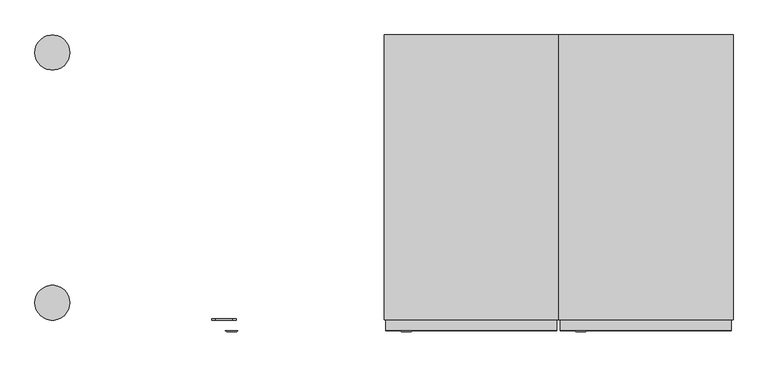
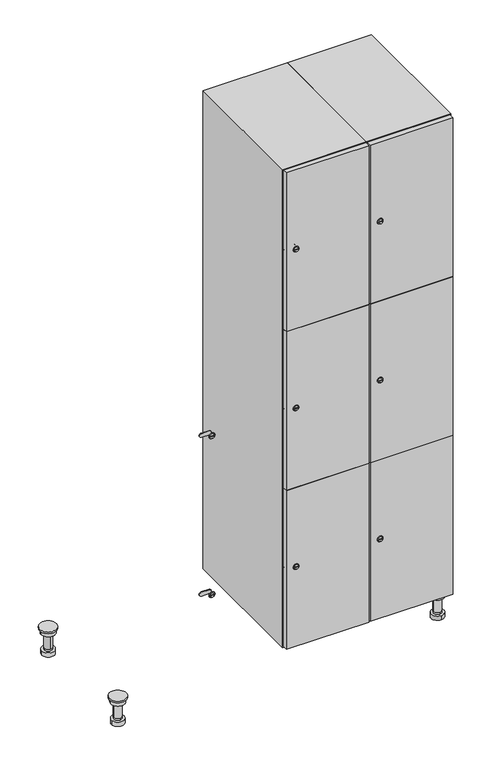
"""IFC4 building model written with IfcOpenShell, lengths in millimetres: furniture geometry."""

from ifc_helpers import new_model, si_unit, point, frame, frame_2d, origin, place, context, project, spatial, polyline, circle_curve, trimmed, segment, composite_curve, outline, extrude, faceted_brep, source, transform, mapped, element, save
from ifc_brep_helpers import plane_surface, cylinder_surface, revolved_surface, advanced_brep


def furniture_6eb8ae3f(model_context):
    return source(origin(), model_context, "Body", "SolidModel", [
        advanced_brep(
        [(970.0, -201.0, 22.0), (970.0, -201.5, 16.0), (970.0, -228.5, 16.0), (970.0, -229.0, 22.0), (956.0, -215.0, 22.0), (984.0, -215.0, 22.0), (970.0, -192.5, 16.0), (970.0, -237.5, 16.0), (970.0, -192.5, 0.0), (970.0, -237.5, 0.0), (984.0, -215.0, 78.0), (956.0, -215.0, 78.0), (995.0, -215.0, 78.0), (945.0, -215.0, 78.0), (1000.0, -215.0, 94.0), (940.0, -215.0, 94.0), (945.0, -215.0, 94.0), (995.0, -215.0, 94.0), (1000.0, -215.0, 100.0), (940.0, -215.0, 100.0)],
        [
            (0, 1),
            (1, 2, circle_curve(frame((970.0, -215.0, 16.0), z_axis=(0.0, 0.0, 1.0), x_axis=(0.0, -1.0, 0.0)), 13.5)),
            (2, 3),
            (3, 4, circle_curve(frame((970.0, -215.0, 22.0), z_axis=(0.0, 0.0, -1.0), x_axis=(0.0, -1.0, 0.0)), 14.0)),
            (4, 0, circle_curve(frame((970.0, -215.0, 22.0), z_axis=(0.0, 0.0, -1.0), x_axis=(0.0, -1.0, 0.0)), 14.0)),
            (0, 5, circle_curve(frame((970.0, -215.0, 22.0), z_axis=(0.0, 0.0, -1.0), x_axis=(0.0, 1.0, 0.0)), 14.0)),
            (5, 3, circle_curve(frame((970.0, -215.0, 22.0), z_axis=(0.0, 0.0, -1.0), x_axis=(0.0, 1.0, 0.0)), 14.0)),
            (2, 1, circle_curve(frame((970.0, -215.0, 16.0), z_axis=(0.0, 0.0, 1.0), x_axis=(0.0, 1.0, 0.0)), 13.5)),
            (6, 7, circle_curve(frame((970.0, -215.0, 16.0), z_axis=(0.0, 0.0, 1.0), x_axis=(0.0, -1.0, 0.0)), 22.5)),
            (7, 6, circle_curve(frame((970.0, -215.0, 16.0), z_axis=(0.0, 0.0, 1.0), x_axis=(0.0, -1.0, 0.0)), 22.5)),
            (8, 9, circle_curve(frame((970.0, -215.0, 0.0), z_axis=(0.0, 0.0, -1.0), x_axis=(0.0, -1.0, 0.0)), 22.5)),
            (9, 8, circle_curve(frame((970.0, -215.0, 0.0), z_axis=(0.0, 0.0, -1.0), x_axis=(0.0, -1.0, 0.0)), 22.5)),
            (6, 8),
            (9, 7),
            (5, 10),
            (10, 11, circle_curve(frame((970.0, -215.0, 78.0), z_axis=(0.0, 0.0, -1.0), x_axis=(-1.0, 0.0, 0.0)), 14.0)),
            (11, 4),
            (11, 10, circle_curve(frame((970.0, -215.0, 78.0), z_axis=(0.0, 0.0, -1.0), x_axis=(-1.0, 0.0, 0.0)), 14.0)),
            (12, 13, circle_curve(frame((970.0, -215.0, 78.0), z_axis=(0.0, 0.0, -1.0), x_axis=(-1.0, 0.0, 0.0)), 25.0)),
            (13, 12, circle_curve(frame((970.0, -215.0, 78.0), z_axis=(0.0, 0.0, -1.0), x_axis=(-1.0, 0.0, 0.0)), 25.0)),
            (14, 15, circle_curve(frame((970.0, -215.0, 94.0), z_axis=(0.0, 0.0, -1.0), x_axis=(-1.0, 0.0, 0.0)), 30.0)),
            (15, 14, circle_curve(frame((970.0, -215.0, 94.0), z_axis=(0.0, 0.0, -1.0), x_axis=(-1.0, 0.0, 0.0)), 30.0)),
            (16, 17, circle_curve(frame((970.0, -215.0, 94.0), z_axis=(0.0, 0.0, 1.0), x_axis=(-1.0, 0.0, 0.0)), 25.0)),
            (17, 16, circle_curve(frame((970.0, -215.0, 94.0), z_axis=(0.0, 0.0, 1.0), x_axis=(-1.0, 0.0, 0.0)), 25.0)),
            (18, 19, circle_curve(frame((970.0, -215.0, 100.0), z_axis=(0.0, 0.0, 1.0), x_axis=(-1.0, 0.0, 0.0)), 30.0)),
            (19, 18, circle_curve(frame((970.0, -215.0, 100.0), z_axis=(0.0, 0.0, 1.0), x_axis=(-1.0, 0.0, 0.0)), 30.0)),
            (14, 18),
            (19, 15),
            (12, 17),
            (16, 13),
        ],
        [
            revolved_surface(polyline([(970.0, -201.5, 16.0), (970.0, -201.0, 22.0)]), (970.0, -215.0, -146.0), (0.0, 0.0, 1.0)),
            plane_surface(frame((970.0, 0.0, 16.0), z_axis=(0.0, 0.0, 1.0), x_axis=(0.0, -1.0, 0.0))),
            plane_surface(frame((970.0, 0.0, 0.0), z_axis=(0.0, 0.0, -1.0), x_axis=(0.0, -1.0, 0.0))),
            cylinder_surface(frame((970.0, -215.0, 16.0), z_axis=(0.0, 0.0, 1.0), x_axis=(0.0, -1.0, 0.0)), 22.5),
            cylinder_surface(frame((970.0, -215.0, 22.0), z_axis=(0.0, 0.0, -1.0), x_axis=(-1.0, 0.0, 0.0)), 14.0),
            plane_surface(frame((970.0, 0.0, 78.0), z_axis=(0.0, 0.0, -1.0), x_axis=(0.0, -1.0, 0.0))),
            plane_surface(frame((970.0, 0.0, 94.0), z_axis=(0.0, 0.0, -1.0), x_axis=(0.0, -1.0, 0.0))),
            plane_surface(frame((970.0, 0.0, 100.0), z_axis=(0.0, 0.0, 1.0), x_axis=(0.0, -1.0, 0.0))),
            cylinder_surface(frame((970.0, -215.0, 94.0), z_axis=(0.0, 0.0, -1.0), x_axis=(-1.0, 0.0, 0.0)), 30.0),
            cylinder_surface(frame((970.0, -215.0, 78.0), z_axis=(0.0, 0.0, -1.0), x_axis=(-1.0, 0.0, 0.0)), 25.0),
        ],
        [
            (0, [[1, 2, 3, 4, 5]]),
            (0, [[-1, 6, 7, -3, 8]]),
            (1, [[9, 10], [-2, -8]]),
            (2, [[11, 12]]),
            (3, [[-9, 13, -12, 14]]),
            (3, [[-10, -14, -11, -13]]),
            (4, [[15, 16, 17, -4, -7]]),
            (4, [[-15, -6, -5, -17, 18]]),
            (5, [[19, 20], [-16, -18]]),
            (6, [[21, 22], [23, 24]]),
            (7, [[25, 26]]),
            (8, [[-21, 27, -26, 28]]),
            (8, [[-22, -28, -25, -27]]),
            (9, [[-19, 29, -23, 30]]),
            (9, [[-20, -30, -24, -29]]),
        ],
    ),
        advanced_brep(
        [(-170.0, -201.0, 22.0), (-170.0, -201.5, 16.0), (-170.0, -228.5, 16.0), (-170.0, -229.0, 22.0), (-184.0, -215.0, 22.0), (-156.0, -215.0, 22.0), (-147.5, -215.0, 0.0), (-192.5, -215.0, 0.0), (-147.5, -215.0, 16.0), (-192.5, -215.0, 16.0), (-156.0, -215.0, 78.0), (-184.0, -215.0, 78.0), (-145.0, -215.0, 78.0), (-195.0, -215.0, 78.0), (-140.0, -215.0, 94.0), (-200.0, -215.0, 94.0), (-195.0, -215.0, 94.0), (-145.0, -215.0, 94.0), (-140.0, -215.0, 100.0), (-200.0, -215.0, 100.0)],
        [
            (0, 1),
            (1, 2, circle_curve(frame((-170.0, -215.0, 16.0), z_axis=(0.0, 0.0, 1.0), x_axis=(0.0, -1.0, 0.0)), 13.5)),
            (2, 3),
            (3, 4, circle_curve(frame((-170.0, -215.0, 22.0), z_axis=(0.0, 0.0, -1.0), x_axis=(0.0, -1.0, 0.0)), 14.0)),
            (4, 0, circle_curve(frame((-170.0, -215.0, 22.0), z_axis=(0.0, 0.0, -1.0), x_axis=(0.0, -1.0, 0.0)), 14.0)),
            (0, 5, circle_curve(frame((-170.0, -215.0, 22.0), z_axis=(0.0, 0.0, -1.0), x_axis=(0.0, 1.0, 0.0)), 14.0)),
            (5, 3, circle_curve(frame((-170.0, -215.0, 22.0), z_axis=(0.0, 0.0, -1.0), x_axis=(0.0, 1.0, 0.0)), 14.0)),
            (2, 1, circle_curve(frame((-170.0, -215.0, 16.0), z_axis=(0.0, 0.0, 1.0), x_axis=(0.0, 1.0, 0.0)), 13.5)),
            (6, 7, circle_curve(frame((-170.0, -215.0, 0.0), z_axis=(0.0, 0.0, -1.0), x_axis=(-1.0, 0.0, 0.0)), 22.5)),
            (7, 6, circle_curve(frame((-170.0, -215.0, 0.0), z_axis=(0.0, 0.0, -1.0), x_axis=(-1.0, 0.0, 0.0)), 22.5)),
            (8, 9, circle_curve(frame((-170.0, -215.0, 16.0), z_axis=(0.0, 0.0, 1.0), x_axis=(-1.0, 0.0, 0.0)), 22.5)),
            (9, 8, circle_curve(frame((-170.0, -215.0, 16.0), z_axis=(0.0, 0.0, 1.0), x_axis=(-1.0, 0.0, 0.0)), 22.5)),
            (6, 8),
            (9, 7),
            (5, 10),
            (10, 11, circle_curve(frame((-170.0, -215.0, 78.0), z_axis=(0.0, 0.0, -1.0), x_axis=(-1.0, 0.0, 0.0)), 14.0)),
            (11, 4),
            (11, 10, circle_curve(frame((-170.0, -215.0, 78.0), z_axis=(0.0, 0.0, -1.0), x_axis=(-1.0, 0.0, 0.0)), 14.0)),
            (12, 13, circle_curve(frame((-170.0, -215.0, 78.0), z_axis=(0.0, 0.0, -1.0), x_axis=(-1.0, 0.0, 0.0)), 25.0)),
            (13, 12, circle_curve(frame((-170.0, -215.0, 78.0), z_axis=(0.0, 0.0, -1.0), x_axis=(-1.0, 0.0, 0.0)), 25.0)),
            (14, 15, circle_curve(frame((-170.0, -215.0, 94.0), z_axis=(0.0, 0.0, -1.0), x_axis=(-1.0, 0.0, 0.0)), 30.0)),
            (15, 14, circle_curve(frame((-170.0, -215.0, 94.0), z_axis=(0.0, 0.0, -1.0), x_axis=(-1.0, 0.0, 0.0)), 30.0)),
            (16, 17, circle_curve(frame((-170.0, -215.0, 94.0), z_axis=(0.0, 0.0, 1.0), x_axis=(-1.0, 0.0, 0.0)), 25.0)),
            (17, 16, circle_curve(frame((-170.0, -215.0, 94.0), z_axis=(0.0, 0.0, 1.0), x_axis=(-1.0, 0.0, 0.0)), 25.0)),
            (18, 19, circle_curve(frame((-170.0, -215.0, 100.0), z_axis=(0.0, 0.0, 1.0), x_axis=(-1.0, 0.0, 0.0)), 30.0)),
            (19, 18, circle_curve(frame((-170.0, -215.0, 100.0), z_axis=(0.0, 0.0, 1.0), x_axis=(-1.0, 0.0, 0.0)), 30.0)),
            (14, 18),
            (19, 15),
            (12, 17),
            (16, 13),
        ],
        [
            revolved_surface(polyline([(-170.0, -201.5, 16.0), (-170.0, -201.0, 22.0)]), (-170.0, -215.0, -146.0), (0.0, 0.0, 1.0)),
            plane_surface(frame((-170.0, 0.0, 0.0), z_axis=(0.0, 0.0, -1.0), x_axis=(0.0, -1.0, 0.0))),
            plane_surface(frame((-170.0, 0.0, 16.0), z_axis=(0.0, 0.0, 1.0), x_axis=(0.0, -1.0, 0.0))),
            cylinder_surface(frame((-170.0, -215.0, 0.0), z_axis=(0.0, 0.0, -1.0), x_axis=(-1.0, 0.0, 0.0)), 22.5),
            cylinder_surface(frame((-170.0, -215.0, 22.0), z_axis=(0.0, 0.0, -1.0), x_axis=(-1.0, 0.0, 0.0)), 14.0),
            plane_surface(frame((-170.0, 0.0, 78.0), z_axis=(0.0, 0.0, -1.0), x_axis=(0.0, -1.0, 0.0))),
            plane_surface(frame((-170.0, 0.0, 94.0), z_axis=(0.0, 0.0, -1.0), x_axis=(0.0, -1.0, 0.0))),
            plane_surface(frame((-170.0, 0.0, 100.0), z_axis=(0.0, 0.0, 1.0), x_axis=(0.0, -1.0, 0.0))),
            cylinder_surface(frame((-170.0, -215.0, 94.0), z_axis=(0.0, 0.0, -1.0), x_axis=(-1.0, 0.0, 0.0)), 30.0),
            cylinder_surface(frame((-170.0, -215.0, 78.0), z_axis=(0.0, 0.0, -1.0), x_axis=(-1.0, 0.0, 0.0)), 25.0),
        ],
        [
            (0, [[1, 2, 3, 4, 5]]),
            (0, [[-1, 6, 7, -3, 8]]),
            (1, [[9, 10]]),
            (2, [[11, 12], [-2, -8]]),
            (3, [[-9, 13, -12, 14]]),
            (3, [[-10, -14, -11, -13]]),
            (4, [[15, 16, 17, -4, -7]]),
            (4, [[-15, -6, -5, -17, 18]]),
            (5, [[19, 20], [-16, -18]]),
            (6, [[21, 22], [23, 24]]),
            (7, [[25, 26]]),
            (8, [[-21, 27, -26, 28]]),
            (8, [[-22, -28, -25, -27]]),
            (9, [[-19, 29, -23, 30]]),
            (9, [[-20, -30, -24, -29]]),
        ],
    ),
        advanced_brep(
        [(983.5, 215.0, 16.0), (984.0, 215.0, 22.0), (956.0, 215.0, 22.0), (956.5, 215.0, 16.0), (992.5, 215.0, 0.0), (947.5, 215.0, 0.0), (992.5, 215.0, 16.0), (947.5, 215.0, 16.0), (984.0, 215.0, 78.0), (956.0, 215.0, 78.0), (995.0, 215.0, 78.0), (945.0, 215.0, 78.0), (1000.0, 215.0, 94.0), (940.0, 215.0, 94.0), (945.0, 215.0, 94.0), (995.0, 215.0, 94.0), (1000.0, 215.0, 100.0), (940.0, 215.0, 100.0)],
        [
            (0, 1),
            (1, 2, circle_curve(frame((970.0, 215.0, 22.0), z_axis=(0.0, 0.0, -1.0), x_axis=(-1.0, 0.0, 0.0)), 14.0)),
            (2, 3),
            (3, 0, circle_curve(frame((970.0, 215.0, 16.0), z_axis=(0.0, 0.0, 1.0), x_axis=(-1.0, 0.0, 0.0)), 13.5)),
            (0, 3, circle_curve(frame((970.0, 215.0, 16.0), z_axis=(0.0, 0.0, 1.0), x_axis=(1.0, 0.0, 0.0)), 13.5)),
            (2, 1, circle_curve(frame((970.0, 215.0, 22.0), z_axis=(0.0, 0.0, -1.0), x_axis=(1.0, 0.0, 0.0)), 14.0)),
            (4, 5, circle_curve(frame((970.0, 215.0, 0.0), z_axis=(0.0, 0.0, -1.0), x_axis=(-1.0, 0.0, 0.0)), 22.5)),
            (5, 4, circle_curve(frame((970.0, 215.0, 0.0), z_axis=(0.0, 0.0, -1.0), x_axis=(-1.0, 0.0, 0.0)), 22.5)),
            (6, 7, circle_curve(frame((970.0, 215.0, 16.0), z_axis=(0.0, 0.0, 1.0), x_axis=(-1.0, 0.0, 0.0)), 22.5)),
            (7, 6, circle_curve(frame((970.0, 215.0, 16.0), z_axis=(0.0, 0.0, 1.0), x_axis=(-1.0, 0.0, 0.0)), 22.5)),
            (4, 6),
            (7, 5),
            (1, 8),
            (8, 9, circle_curve(frame((970.0, 215.0, 78.0), z_axis=(0.0, 0.0, -1.0), x_axis=(-1.0, 0.0, 0.0)), 14.0)),
            (9, 2),
            (9, 8, circle_curve(frame((970.0, 215.0, 78.0), z_axis=(0.0, 0.0, -1.0), x_axis=(-1.0, 0.0, 0.0)), 14.0)),
            (10, 11, circle_curve(frame((970.0, 215.0, 78.0), z_axis=(0.0, 0.0, -1.0), x_axis=(-1.0, 0.0, 0.0)), 25.0)),
            (11, 10, circle_curve(frame((970.0, 215.0, 78.0), z_axis=(0.0, 0.0, -1.0), x_axis=(-1.0, 0.0, 0.0)), 25.0)),
            (12, 13, circle_curve(frame((970.0, 215.0, 94.0), z_axis=(0.0, 0.0, -1.0), x_axis=(-1.0, 0.0, 0.0)), 30.0)),
            (13, 12, circle_curve(frame((970.0, 215.0, 94.0), z_axis=(0.0, 0.0, -1.0), x_axis=(-1.0, 0.0, 0.0)), 30.0)),
            (14, 15, circle_curve(frame((970.0, 215.0, 94.0), z_axis=(0.0, 0.0, 1.0), x_axis=(-1.0, 0.0, 0.0)), 25.0)),
            (15, 14, circle_curve(frame((970.0, 215.0, 94.0), z_axis=(0.0, 0.0, 1.0), x_axis=(-1.0, 0.0, 0.0)), 25.0)),
            (16, 17, circle_curve(frame((970.0, 215.0, 100.0), z_axis=(0.0, 0.0, 1.0), x_axis=(-1.0, 0.0, 0.0)), 30.0)),
            (17, 16, circle_curve(frame((970.0, 215.0, 100.0), z_axis=(0.0, 0.0, 1.0), x_axis=(-1.0, 0.0, 0.0)), 30.0)),
            (12, 16),
            (17, 13),
            (10, 15),
            (14, 11),
        ],
        [
            revolved_surface(polyline([(983.5, 215.0, 16.0), (984.0, 215.0, 22.0)]), (970.0, 215.0, -146.0), (0.0, 0.0, 1.0)),
            plane_surface(frame((970.0, 0.0, 0.0), z_axis=(0.0, 0.0, -1.0), x_axis=(0.0, -1.0, 0.0))),
            plane_surface(frame((970.0, 0.0, 16.0), z_axis=(0.0, 0.0, 1.0), x_axis=(0.0, -1.0, 0.0))),
            cylinder_surface(frame((970.0, 215.0, 0.0), z_axis=(0.0, 0.0, -1.0), x_axis=(-1.0, 0.0, 0.0)), 22.5),
            cylinder_surface(frame((970.0, 215.0, 22.0), z_axis=(0.0, 0.0, -1.0), x_axis=(-1.0, 0.0, 0.0)), 14.0),
            plane_surface(frame((970.0, 0.0, 78.0), z_axis=(0.0, 0.0, -1.0), x_axis=(0.0, -1.0, 0.0))),
            plane_surface(frame((970.0, 0.0, 94.0), z_axis=(0.0, 0.0, -1.0), x_axis=(0.0, -1.0, 0.0))),
            plane_surface(frame((970.0, 0.0, 100.0), z_axis=(0.0, 0.0, 1.0), x_axis=(0.0, -1.0, 0.0))),
            cylinder_surface(frame((970.0, 215.0, 94.0), z_axis=(0.0, 0.0, -1.0), x_axis=(-1.0, 0.0, 0.0)), 30.0),
            cylinder_surface(frame((970.0, 215.0, 78.0), z_axis=(0.0, 0.0, -1.0), x_axis=(-1.0, 0.0, 0.0)), 25.0),
        ],
        [
            (0, [[1, 2, 3, 4]]),
            (0, [[-1, 5, -3, 6]]),
            (1, [[7, 8]]),
            (2, [[9, 10], [-4, -5]]),
            (3, [[-7, 11, -10, 12]]),
            (3, [[-8, -12, -9, -11]]),
            (4, [[13, 14, 15, -2]]),
            (4, [[-13, -6, -15, 16]]),
            (5, [[17, 18], [-14, -16]]),
            (6, [[19, 20], [21, 22]]),
            (7, [[23, 24]]),
            (8, [[-19, 25, -24, 26]]),
            (8, [[-20, -26, -23, -25]]),
            (9, [[-17, 27, -21, 28]]),
            (9, [[-18, -28, -22, -27]]),
        ],
    ),
        advanced_brep(
        [(-156.5, 215.0, 16.0), (-156.0, 215.0, 22.0), (-170.0, 201.0, 22.0), (-184.0, 215.0, 22.0), (-183.5, 215.0, 16.0), (-170.0, 229.0, 22.0), (-147.5, 215.0, 0.0), (-192.5, 215.0, 0.0), (-147.5, 215.0, 16.0), (-192.5, 215.0, 16.0), (-170.0, 229.0, 78.0), (-170.0, 201.0, 78.0), (-145.0, 215.0, 78.0), (-195.0, 215.0, 78.0), (-140.0, 215.0, 94.0), (-200.0, 215.0, 94.0), (-195.0, 215.0, 94.0), (-145.0, 215.0, 94.0), (-140.0, 215.0, 100.0), (-200.0, 215.0, 100.0)],
        [
            (0, 1),
            (1, 2, circle_curve(frame((-170.0, 215.0, 22.0), z_axis=(0.0, 0.0, -1.0), x_axis=(-1.0, 0.0, 0.0)), 14.0)),
            (2, 3, circle_curve(frame((-170.0, 215.0, 22.0), z_axis=(0.0, 0.0, -1.0), x_axis=(-1.0, 0.0, 0.0)), 14.0)),
            (3, 4),
            (4, 0, circle_curve(frame((-170.0, 215.0, 16.0), z_axis=(0.0, 0.0, 1.0), x_axis=(-1.0, 0.0, 0.0)), 13.5)),
            (0, 4, circle_curve(frame((-170.0, 215.0, 16.0), z_axis=(0.0, 0.0, 1.0), x_axis=(1.0, 0.0, 0.0)), 13.5)),
            (3, 5, circle_curve(frame((-170.0, 215.0, 22.0), z_axis=(0.0, 0.0, -1.0), x_axis=(1.0, 0.0, 0.0)), 14.0)),
            (5, 1, circle_curve(frame((-170.0, 215.0, 22.0), z_axis=(0.0, 0.0, -1.0), x_axis=(1.0, 0.0, 0.0)), 14.0)),
            (6, 7, circle_curve(frame((-170.0, 215.0, 0.0), z_axis=(0.0, 0.0, -1.0), x_axis=(-1.0, 0.0, 0.0)), 22.5)),
            (7, 6, circle_curve(frame((-170.0, 215.0, 0.0), z_axis=(0.0, 0.0, -1.0), x_axis=(-1.0, 0.0, 0.0)), 22.5)),
            (8, 9, circle_curve(frame((-170.0, 215.0, 16.0), z_axis=(0.0, 0.0, 1.0), x_axis=(-1.0, 0.0, 0.0)), 22.5)),
            (9, 8, circle_curve(frame((-170.0, 215.0, 16.0), z_axis=(0.0, 0.0, 1.0), x_axis=(-1.0, 0.0, 0.0)), 22.5)),
            (6, 8),
            (9, 7),
            (10, 5),
            (2, 11),
            (11, 10, circle_curve(frame((-170.0, 215.0, 78.0), z_axis=(0.0, 0.0, -1.0), x_axis=(0.0, -1.0, 0.0)), 14.0)),
            (10, 11, circle_curve(frame((-170.0, 215.0, 78.0), z_axis=(0.0, 0.0, -1.0), x_axis=(0.0, -1.0, 0.0)), 14.0)),
            (12, 13, circle_curve(frame((-170.0, 215.0, 78.0), z_axis=(0.0, 0.0, -1.0), x_axis=(-1.0, 0.0, 0.0)), 25.0)),
            (13, 12, circle_curve(frame((-170.0, 215.0, 78.0), z_axis=(0.0, 0.0, -1.0), x_axis=(-1.0, 0.0, 0.0)), 25.0)),
            (14, 15, circle_curve(frame((-170.0, 215.0, 94.0), z_axis=(0.0, 0.0, -1.0), x_axis=(-1.0, 0.0, 0.0)), 30.0)),
            (15, 14, circle_curve(frame((-170.0, 215.0, 94.0), z_axis=(0.0, 0.0, -1.0), x_axis=(-1.0, 0.0, 0.0)), 30.0)),
            (16, 17, circle_curve(frame((-170.0, 215.0, 94.0), z_axis=(0.0, 0.0, 1.0), x_axis=(-1.0, 0.0, 0.0)), 25.0)),
            (17, 16, circle_curve(frame((-170.0, 215.0, 94.0), z_axis=(0.0, 0.0, 1.0), x_axis=(-1.0, 0.0, 0.0)), 25.0)),
            (18, 19, circle_curve(frame((-170.0, 215.0, 100.0), z_axis=(0.0, 0.0, 1.0), x_axis=(-1.0, 0.0, 0.0)), 30.0)),
            (19, 18, circle_curve(frame((-170.0, 215.0, 100.0), z_axis=(0.0, 0.0, 1.0), x_axis=(-1.0, 0.0, 0.0)), 30.0)),
            (14, 18),
            (19, 15),
            (12, 17),
            (16, 13),
        ],
        [
            revolved_surface(polyline([(-156.5, 215.0, 16.0), (-156.0, 215.0, 22.0)]), (-170.0, 215.0, -146.0), (0.0, 0.0, 1.0)),
            plane_surface(frame((-170.0, 0.0, 0.0), z_axis=(0.0, 0.0, -1.0), x_axis=(0.0, -1.0, 0.0))),
            plane_surface(frame((-170.0, 0.0, 16.0), z_axis=(0.0, 0.0, 1.0), x_axis=(0.0, -1.0, 0.0))),
            cylinder_surface(frame((-170.0, 215.0, 0.0), z_axis=(0.0, 0.0, -1.0), x_axis=(-1.0, 0.0, 0.0)), 22.5),
            cylinder_surface(frame((-170.0, 215.0, 78.0), z_axis=(0.0, 0.0, 1.0), x_axis=(0.0, -1.0, 0.0)), 14.0),
            plane_surface(frame((-170.0, 0.0, 78.0), z_axis=(0.0, 0.0, -1.0), x_axis=(0.0, -1.0, 0.0))),
            plane_surface(frame((-170.0, 0.0, 94.0), z_axis=(0.0, 0.0, -1.0), x_axis=(0.0, -1.0, 0.0))),
            plane_surface(frame((-170.0, 0.0, 100.0), z_axis=(0.0, 0.0, 1.0), x_axis=(0.0, -1.0, 0.0))),
            cylinder_surface(frame((-170.0, 215.0, 94.0), z_axis=(0.0, 0.0, -1.0), x_axis=(-1.0, 0.0, 0.0)), 30.0),
            cylinder_surface(frame((-170.0, 215.0, 78.0), z_axis=(0.0, 0.0, -1.0), x_axis=(-1.0, 0.0, 0.0)), 25.0),
        ],
        [
            (0, [[1, 2, 3, 4, 5]]),
            (0, [[-1, 6, -4, 7, 8]]),
            (1, [[9, 10]]),
            (2, [[11, 12], [-5, -6]]),
            (3, [[-9, 13, -12, 14]]),
            (3, [[-10, -14, -11, -13]]),
            (4, [[15, -7, -3, 16, 17]]),
            (4, [[-15, 18, -16, -2, -8]]),
            (5, [[19, 20], [-17, -18]]),
            (6, [[21, 22], [23, 24]]),
            (7, [[25, 26]]),
            (8, [[-21, 27, -26, 28]]),
            (8, [[-22, -28, -25, -27]]),
            (9, [[-19, 29, -23, 30]]),
            (9, [[-20, -30, -24, -29]]),
        ],
    ),
        extrude(outline(composite_curve([segment(trimmed(circle_curve(frame_2d((402.0, 711.2010534)), 7.0), [point((409.0, 711.2010534))], [point((395.0, 711.2010534))], False, "CARTESIAN"), True, "CONTINUOUS"), segment(polyline([(395.0, 711.2010534), (395.0, 739.2010534)]), True, "CONTINUOUS"), segment(trimmed(circle_curve(frame_2d((402.0, 739.2010534)), 7.0), [point((395.0, 739.2010534))], [point((409.0, 739.2010534))], False, "CARTESIAN"), True, "CONTINUOUS"), segment(polyline([(409.0, 739.2010534), (409.0, 711.2010534)]), True, "CONTINUOUS")], self_intersect=False)), frame((0.0, -245.0, 0.0), z_axis=(0.0, 1.0, 0.0), x_axis=(0.0, 0.0, 1.0)), (0.0, 0.0, 1.0), 2.0),
        advanced_brep(
        [(746.5, -265.2, 402.0), (729.5, -265.2, 402.0), (733.0, -265.2, 400.75), (733.0, -265.2, 403.25), (743.0, -265.2, 403.25), (743.0, -265.2, 400.75), (748.5, -263.0, 402.0), (727.5, -263.0, 402.0), (733.0, -263.0, 403.25), (733.0, -263.0, 400.75), (743.0, -263.0, 400.75), (743.0, -263.0, 403.25)],
        [
            (0, 1, circle_curve(frame((738.0, -265.2, 402.0), z_axis=(0.0, -1.0, 0.0), x_axis=(1.0, 0.0, 0.0)), 8.5)),
            (1, 0, circle_curve(frame((738.0, -265.2, 402.0), z_axis=(0.0, -1.0, 0.0), x_axis=(-1.0, 0.0, 0.0)), 8.5)),
            (2, 3),
            (3, 4),
            (4, 5),
            (5, 2),
            (6, 7, circle_curve(frame((738.0, -263.0, 402.0), z_axis=(0.0, 1.0, 0.0), x_axis=(-1.0, 0.0, 0.0)), 10.5)),
            (7, 6, circle_curve(frame((738.0, -263.0, 402.0), z_axis=(0.0, 1.0, 0.0), x_axis=(1.0, 0.0, 0.0)), 10.5)),
            (8, 9),
            (9, 10),
            (10, 11),
            (11, 8),
            (0, 6),
            (7, 1),
            (8, 3),
            (2, 9),
            (11, 4),
            (10, 5),
        ],
        [
            plane_surface(frame((738.0, -265.2, 402.0), z_axis=(0.0, -1.0, 0.0), x_axis=(0.0, 0.0, 1.0))),
            plane_surface(frame((738.0, -263.0, 402.0), z_axis=(0.0, 1.0, 0.0), x_axis=(0.0, 0.0, 1.0))),
            revolved_surface(polyline([(746.5, -265.2, 402.0), (748.5, -263.0, 402.0)]), (738.0, -274.55, 402.0), (0.0, 1.0, 0.0)),
            revolved_surface(polyline([(729.5, -265.2, 402.0), (727.5, -263.0, 402.0)]), (738.0, -274.55, 402.0), (0.0, 1.0, 0.0)),
            plane_surface(frame((733.0, -263.0, 400.75), z_axis=(1.0, 0.0, 0.0), x_axis=(0.0, -1.0, 0.0))),
            plane_surface(frame((733.0, -263.0, 403.25), z_axis=(0.0, 0.0, -1.0), x_axis=(0.0, -1.0, 0.0))),
            plane_surface(frame((743.0, -263.0, 403.25), z_axis=(-1.0, 0.0, 0.0), x_axis=(0.0, -1.0, 0.0))),
            plane_surface(frame((743.0, -263.0, 400.75), z_axis=(0.0, 0.0, 1.0), x_axis=(0.0, -1.0, 0.0))),
        ],
        [
            (0, [[1, 2], [3, 4, 5, 6]]),
            (1, [[7, 8], [9, 10, 11, 12]]),
            (2, [[-1, 13, -8, 14]]),
            (3, [[-2, -14, -7, -13]]),
            (4, [[15, -3, 16, -9]]),
            (5, [[-15, -12, 17, -4]]),
            (6, [[-17, -11, 18, -5]]),
            (7, [[-16, -6, -18, -10]]),
        ],
    ),
        extrude(outline(composite_curve([segment(trimmed(circle_curve(frame_2d((1000.0, 711.2010534)), 7.0), [point((1007.0, 711.2010534))], [point((993.0, 711.2010534))], False, "CARTESIAN"), True, "CONTINUOUS"), segment(polyline([(993.0, 711.2010534), (993.0, 739.2010534)]), True, "CONTINUOUS"), segment(trimmed(circle_curve(frame_2d((1000.0, 739.2010534)), 7.0), [point((993.0, 739.2010534))], [point((1007.0, 739.2010534))], False, "CARTESIAN"), True, "CONTINUOUS"), segment(polyline([(1007.0, 739.2010534), (1007.0, 711.2010534)]), True, "CONTINUOUS")], self_intersect=False)), frame((0.0, -245.0, 0.0), z_axis=(0.0, 1.0, 0.0), x_axis=(0.0, 0.0, 1.0)), (0.0, 0.0, 1.0), 2.0),
        advanced_brep(
        [(746.5, -265.2, 1000.0), (729.5, -265.2, 1000.0), (733.0, -265.2, 998.75), (733.0, -265.2, 1001.25), (743.0, -265.2, 1001.25), (743.0, -265.2, 998.75), (748.5, -263.0, 1000.0), (727.5, -263.0, 1000.0), (733.0, -263.0, 1001.25), (733.0, -263.0, 998.75), (743.0, -263.0, 998.75), (743.0, -263.0, 1001.25)],
        [
            (0, 1, circle_curve(frame((738.0, -265.2, 1000.0), z_axis=(0.0, -1.0, 0.0), x_axis=(1.0, 0.0, 0.0)), 8.5)),
            (1, 0, circle_curve(frame((738.0, -265.2, 1000.0), z_axis=(0.0, -1.0, 0.0), x_axis=(-1.0, 0.0, 0.0)), 8.5)),
            (2, 3),
            (3, 4),
            (4, 5),
            (5, 2),
            (6, 7, circle_curve(frame((738.0, -263.0, 1000.0), z_axis=(0.0, 1.0, 0.0), x_axis=(-1.0, 0.0, 0.0)), 10.5)),
            (7, 6, circle_curve(frame((738.0, -263.0, 1000.0), z_axis=(0.0, 1.0, 0.0), x_axis=(1.0, 0.0, 0.0)), 10.5)),
            (8, 9),
            (9, 10),
            (10, 11),
            (11, 8),
            (0, 6),
            (7, 1),
            (8, 3),
            (2, 9),
            (11, 4),
            (10, 5),
        ],
        [
            plane_surface(frame((738.0, -265.2, 1000.0), z_axis=(0.0, -1.0, 0.0), x_axis=(0.0, 0.0, 1.0))),
            plane_surface(frame((738.0, -263.0, 1000.0), z_axis=(0.0, 1.0, 0.0), x_axis=(0.0, 0.0, 1.0))),
            revolved_surface(polyline([(746.5, -265.2, 1000.0), (748.5, -263.0, 1000.0)]), (738.0, -274.55, 1000.0), (0.0, 1.0, 0.0)),
            revolved_surface(polyline([(729.5, -265.2, 1000.0), (727.5, -263.0, 1000.0)]), (738.0, -274.55, 1000.0), (0.0, 1.0, 0.0)),
            plane_surface(frame((733.0, -263.0, 998.75), z_axis=(1.0, 0.0, 0.0), x_axis=(0.0, -1.0, 0.0))),
            plane_surface(frame((733.0, -263.0, 1001.25), z_axis=(0.0, 0.0, -1.0), x_axis=(0.0, -1.0, 0.0))),
            plane_surface(frame((743.0, -263.0, 1001.25), z_axis=(-1.0, 0.0, 0.0), x_axis=(0.0, -1.0, 0.0))),
            plane_surface(frame((743.0, -263.0, 998.75), z_axis=(0.0, 0.0, 1.0), x_axis=(0.0, -1.0, 0.0))),
        ],
        [
            (0, [[1, 2], [3, 4, 5, 6]]),
            (1, [[7, 8], [9, 10, 11, 12]]),
            (2, [[-1, 13, -8, 14]]),
            (3, [[-2, -14, -7, -13]]),
            (4, [[15, -3, 16, -9]]),
            (5, [[-15, -12, 17, -4]]),
            (6, [[-17, -11, 18, -5]]),
            (7, [[-16, -6, -18, -10]]),
        ],
    ),
        extrude(outline(composite_curve([segment(trimmed(circle_curve(frame_2d((1598.0, 711.2010534)), 7.0), [point((1605.0, 711.2010534))], [point((1591.0, 711.2010534))], False, "CARTESIAN"), True, "CONTINUOUS"), segment(polyline([(1591.0, 711.2010534), (1591.0, 739.2010534)]), True, "CONTINUOUS"), segment(trimmed(circle_curve(frame_2d((1598.0, 739.2010534)), 7.0), [point((1591.0, 739.2010534))], [point((1605.0, 739.2010534))], False, "CARTESIAN"), True, "CONTINUOUS"), segment(polyline([(1605.0, 739.2010534), (1605.0, 711.2010534)]), True, "CONTINUOUS")], self_intersect=False)), frame((0.0, -245.0, 0.0), z_axis=(0.0, 1.0, 0.0), x_axis=(0.0, 0.0, 1.0)), (0.0, 0.0, 1.0), 2.0),
        advanced_brep(
        [(746.5, -265.2, 1598.0), (729.5, -265.2, 1598.0), (733.0, -265.2, 1596.75), (733.0, -265.2, 1599.25), (743.0, -265.2, 1599.25), (743.0, -265.2, 1596.75), (748.5, -263.0, 1598.0), (727.5, -263.0, 1598.0), (733.0, -263.0, 1599.25), (733.0, -263.0, 1596.75), (743.0, -263.0, 1596.75), (743.0, -263.0, 1599.25)],
        [
            (0, 1, circle_curve(frame((738.0, -265.2, 1598.0), z_axis=(0.0, -1.0, 0.0), x_axis=(1.0, 0.0, 0.0)), 8.5)),
            (1, 0, circle_curve(frame((738.0, -265.2, 1598.0), z_axis=(0.0, -1.0, 0.0), x_axis=(-1.0, 0.0, 0.0)), 8.5)),
            (2, 3),
            (3, 4),
            (4, 5),
            (5, 2),
            (6, 7, circle_curve(frame((738.0, -263.0, 1598.0), z_axis=(0.0, 1.0, 0.0), x_axis=(-1.0, 0.0, 0.0)), 10.5)),
            (7, 6, circle_curve(frame((738.0, -263.0, 1598.0), z_axis=(0.0, 1.0, 0.0), x_axis=(1.0, 0.0, 0.0)), 10.5)),
            (8, 9),
            (9, 10),
            (10, 11),
            (11, 8),
            (0, 6),
            (7, 1),
            (8, 3),
            (2, 9),
            (11, 4),
            (10, 5),
        ],
        [
            plane_surface(frame((738.0, -265.2, 1598.0), z_axis=(0.0, -1.0, 0.0), x_axis=(0.0, 0.0, 1.0))),
            plane_surface(frame((738.0, -263.0, 1598.0), z_axis=(0.0, 1.0, 0.0), x_axis=(0.0, 0.0, 1.0))),
            revolved_surface(polyline([(746.5, -265.2, 1598.0), (748.5, -263.0, 1598.0)]), (738.0, -274.55, 1598.0), (0.0, 1.0, 0.0)),
            revolved_surface(polyline([(729.5, -265.2, 1598.0), (727.5, -263.0, 1598.0)]), (738.0, -274.55, 1598.0), (0.0, 1.0, 0.0)),
            plane_surface(frame((733.0, -263.0, 1596.75), z_axis=(1.0, 0.0, 0.0), x_axis=(0.0, -1.0, 0.0))),
            plane_surface(frame((733.0, -263.0, 1599.25), z_axis=(0.0, 0.0, -1.0), x_axis=(0.0, -1.0, 0.0))),
            plane_surface(frame((743.0, -263.0, 1599.25), z_axis=(-1.0, 0.0, 0.0), x_axis=(0.0, -1.0, 0.0))),
            plane_surface(frame((743.0, -263.0, 1596.75), z_axis=(0.0, 0.0, 1.0), x_axis=(0.0, -1.0, 0.0))),
        ],
        [
            (0, [[1, 2], [3, 4, 5, 6]]),
            (1, [[7, 8], [9, 10, 11, 12]]),
            (2, [[-1, 13, -8, 14]]),
            (3, [[-2, -14, -7, -13]]),
            (4, [[15, -3, 16, -9]]),
            (5, [[-15, -12, 17, -4]]),
            (6, [[-17, -11, 18, -5]]),
            (7, [[-16, -6, -18, -10]]),
        ],
    ),
        extrude(outline(polyline([(997.0, -245.0), (997.0, -263.0), (703.0, -263.0), (703.0, -245.0), (997.0, -245.0)])), frame((0.0, 0.0, 701.5), z_axis=(0.0, 0.0, 1.0), x_axis=(1.0, 0.0, 0.0)), (0.0, 0.0, 1.0), 597.0),
        extrude(outline(polyline([(703.0, -263.0), (703.0, -245.0), (997.0, -245.0), (997.0, -263.0), (703.0, -263.0)])), frame((0.0, 0.0, 1299.5), z_axis=(0.0, 0.0, 1.0), x_axis=(1.0, 0.0, 0.0)), (0.0, 0.0, 1.0), 597.5),
        extrude(outline(polyline([(997.0, -245.0), (997.0, -263.0), (703.0, -263.0), (703.0, -245.0), (997.0, -245.0)])), frame((0.0, 0.0, 103.0), z_axis=(0.0, 0.0, 1.0), x_axis=(1.0, 0.0, 0.0)), (0.0, 0.0, 1.0), 597.5),
        extrude(outline(polyline([(982.0, 227.0), (982.0, -227.0), (718.0, -227.0), (718.0, 227.0), (982.0, 227.0)])), frame((0.0, 0.0, 1285.0), z_axis=(0.0, 0.0, 1.0), x_axis=(1.0, 0.0, 0.0)), (0.0, 0.0, 1.0), 18.0),
        extrude(outline(polyline([(718.0, 227.0), (982.0, 227.0), (982.0, -227.0), (718.0, -227.0), (718.0, 227.0)])), frame((0.0, 0.0, 697.0), z_axis=(0.0, 0.0, 1.0), x_axis=(1.0, 0.0, 0.0)), (0.0, 0.0, 1.0), 18.0),
        faceted_brep([(1000.0, -245.0, 100.0), (1000.0, -245.0, 1900.0), (700.0, -245.0, 1900.0), (700.0, -245.0, 100.0), (982.0, -245.0, 1882.0), (982.0, -245.0, 118.0), (718.0, -245.0, 118.0), (718.0, -245.0, 1882.0), (1000.0, 245.0, 100.0), (700.0, 245.0, 100.0), (1000.0, 245.0, 1900.0), (700.0, 245.0, 1900.0), (982.0, 227.0, 1882.0), (982.0, 227.0, 118.0), (700.0, 245.0, 1882.0), (718.0, 227.0, 1882.0), (718.0, 227.0, 118.0)], [[[0, 1, 2, 3], [4, 5, 6, 7]], [[8, 0, 3, 9]], [[1, 0, 8, 10]], [[1, 10, 11, 2]], [[4, 12, 13, 5]], [[9, 3, 2, 11, 14]], [[10, 8, 9, 14, 11]], [[12, 15, 16, 13]], [[15, 7, 6, 16]], [[4, 7, 15, 12]], [[6, 5, 13, 16]]]),
        extrude(outline(composite_curve([segment(trimmed(circle_curve(frame_2d((402.0, 411.2010534)), 7.0), [point((409.0, 411.2010534))], [point((395.0, 411.2010534))], False, "CARTESIAN"), True, "CONTINUOUS"), segment(polyline([(395.0, 411.2010534), (395.0, 439.2010534)]), True, "CONTINUOUS"), segment(trimmed(circle_curve(frame_2d((402.0, 439.2010534)), 7.0), [point((395.0, 439.2010534))], [point((409.0, 439.2010534))], False, "CARTESIAN"), True, "CONTINUOUS"), segment(polyline([(409.0, 439.2010534), (409.0, 411.2010534)]), True, "CONTINUOUS")], self_intersect=False)), frame((0.0, -245.0, 0.0), z_axis=(0.0, 1.0, 0.0), x_axis=(0.0, 0.0, 1.0)), (0.0, 0.0, 1.0), 2.0),
        advanced_brep(
        [(446.5, -265.2, 402.0), (429.5, -265.2, 402.0), (433.0, -265.2, 400.75), (433.0, -265.2, 403.25), (443.0, -265.2, 403.25), (443.0, -265.2, 400.75), (448.5, -263.0, 402.0), (427.5, -263.0, 402.0), (433.0, -263.0, 403.25), (433.0, -263.0, 400.75), (443.0, -263.0, 400.75), (443.0, -263.0, 403.25)],
        [
            (0, 1, circle_curve(frame((438.0, -265.2, 402.0), z_axis=(0.0, -1.0, 0.0), x_axis=(1.0, 0.0, 0.0)), 8.5)),
            (1, 0, circle_curve(frame((438.0, -265.2, 402.0), z_axis=(0.0, -1.0, 0.0), x_axis=(-1.0, 0.0, 0.0)), 8.5)),
            (2, 3),
            (3, 4),
            (4, 5),
            (5, 2),
            (6, 7, circle_curve(frame((438.0, -263.0, 402.0), z_axis=(0.0, 1.0, 0.0), x_axis=(-1.0, 0.0, 0.0)), 10.5)),
            (7, 6, circle_curve(frame((438.0, -263.0, 402.0), z_axis=(0.0, 1.0, 0.0), x_axis=(1.0, 0.0, 0.0)), 10.5)),
            (8, 9),
            (9, 10),
            (10, 11),
            (11, 8),
            (0, 6),
            (7, 1),
            (8, 3),
            (2, 9),
            (11, 4),
            (10, 5),
        ],
        [
            plane_surface(frame((438.0, -265.2, 402.0), z_axis=(0.0, -1.0, 0.0), x_axis=(0.0, 0.0, 1.0))),
            plane_surface(frame((438.0, -263.0, 402.0), z_axis=(0.0, 1.0, 0.0), x_axis=(0.0, 0.0, 1.0))),
            revolved_surface(polyline([(446.5, -265.2, 402.0), (448.5, -263.0, 402.0)]), (438.0, -274.55, 402.0), (0.0, 1.0, 0.0)),
            revolved_surface(polyline([(429.5, -265.2, 402.0), (427.5, -263.0, 402.0)]), (438.0, -274.55, 402.0), (0.0, 1.0, 0.0)),
            plane_surface(frame((433.0, -263.0, 400.75), z_axis=(1.0, 0.0, 0.0), x_axis=(0.0, -1.0, 0.0))),
            plane_surface(frame((433.0, -263.0, 403.25), z_axis=(0.0, 0.0, -1.0), x_axis=(0.0, -1.0, 0.0))),
            plane_surface(frame((443.0, -263.0, 403.25), z_axis=(-1.0, 0.0, 0.0), x_axis=(0.0, -1.0, 0.0))),
            plane_surface(frame((443.0, -263.0, 400.75), z_axis=(0.0, 0.0, 1.0), x_axis=(0.0, -1.0, 0.0))),
        ],
        [
            (0, [[1, 2], [3, 4, 5, 6]]),
            (1, [[7, 8], [9, 10, 11, 12]]),
            (2, [[-1, 13, -8, 14]]),
            (3, [[-2, -14, -7, -13]]),
            (4, [[15, -3, 16, -9]]),
            (5, [[-15, -12, 17, -4]]),
            (6, [[-17, -11, 18, -5]]),
            (7, [[-16, -6, -18, -10]]),
        ],
    ),
        extrude(outline(composite_curve([segment(trimmed(circle_curve(frame_2d((1000.0, 411.2010534)), 7.0), [point((1007.0, 411.2010534))], [point((993.0, 411.2010534))], False, "CARTESIAN"), True, "CONTINUOUS"), segment(polyline([(993.0, 411.2010534), (993.0, 439.2010534)]), True, "CONTINUOUS"), segment(trimmed(circle_curve(frame_2d((1000.0, 439.2010534)), 7.0), [point((993.0, 439.2010534))], [point((1007.0, 439.2010534))], False, "CARTESIAN"), True, "CONTINUOUS"), segment(polyline([(1007.0, 439.2010534), (1007.0, 411.2010534)]), True, "CONTINUOUS")], self_intersect=False)), frame((0.0, -245.0, 0.0), z_axis=(0.0, 1.0, 0.0), x_axis=(0.0, 0.0, 1.0)), (0.0, 0.0, 1.0), 2.0),
        advanced_brep(
        [(446.5, -265.2, 1000.0), (429.5, -265.2, 1000.0), (433.0, -265.2, 998.75), (433.0, -265.2, 1001.25), (443.0, -265.2, 1001.25), (443.0, -265.2, 998.75), (448.5, -263.0, 1000.0), (427.5, -263.0, 1000.0), (433.0, -263.0, 1001.25), (433.0, -263.0, 998.75), (443.0, -263.0, 998.75), (443.0, -263.0, 1001.25)],
        [
            (0, 1, circle_curve(frame((438.0, -265.2, 1000.0), z_axis=(0.0, -1.0, 0.0), x_axis=(1.0, 0.0, 0.0)), 8.5)),
            (1, 0, circle_curve(frame((438.0, -265.2, 1000.0), z_axis=(0.0, -1.0, 0.0), x_axis=(-1.0, 0.0, 0.0)), 8.5)),
            (2, 3),
            (3, 4),
            (4, 5),
            (5, 2),
            (6, 7, circle_curve(frame((438.0, -263.0, 1000.0), z_axis=(0.0, 1.0, 0.0), x_axis=(-1.0, 0.0, 0.0)), 10.5)),
            (7, 6, circle_curve(frame((438.0, -263.0, 1000.0), z_axis=(0.0, 1.0, 0.0), x_axis=(1.0, 0.0, 0.0)), 10.5)),
            (8, 9),
            (9, 10),
            (10, 11),
            (11, 8),
            (0, 6),
            (7, 1),
            (8, 3),
            (2, 9),
            (11, 4),
            (10, 5),
        ],
        [
            plane_surface(frame((438.0, -265.2, 1000.0), z_axis=(0.0, -1.0, 0.0), x_axis=(0.0, 0.0, 1.0))),
            plane_surface(frame((438.0, -263.0, 1000.0), z_axis=(0.0, 1.0, 0.0), x_axis=(0.0, 0.0, 1.0))),
            revolved_surface(polyline([(446.5, -265.2, 1000.0), (448.5, -263.0, 1000.0)]), (438.0, -274.55, 1000.0), (0.0, 1.0, 0.0)),
            revolved_surface(polyline([(429.5, -265.2, 1000.0), (427.5, -263.0, 1000.0)]), (438.0, -274.55, 1000.0), (0.0, 1.0, 0.0)),
            plane_surface(frame((433.0, -263.0, 998.75), z_axis=(1.0, 0.0, 0.0), x_axis=(0.0, -1.0, 0.0))),
            plane_surface(frame((433.0, -263.0, 1001.25), z_axis=(0.0, 0.0, -1.0), x_axis=(0.0, -1.0, 0.0))),
            plane_surface(frame((443.0, -263.0, 1001.25), z_axis=(-1.0, 0.0, 0.0), x_axis=(0.0, -1.0, 0.0))),
            plane_surface(frame((443.0, -263.0, 998.75), z_axis=(0.0, 0.0, 1.0), x_axis=(0.0, -1.0, 0.0))),
        ],
        [
            (0, [[1, 2], [3, 4, 5, 6]]),
            (1, [[7, 8], [9, 10, 11, 12]]),
            (2, [[-1, 13, -8, 14]]),
            (3, [[-2, -14, -7, -13]]),
            (4, [[15, -3, 16, -9]]),
            (5, [[-15, -12, 17, -4]]),
            (6, [[-17, -11, 18, -5]]),
            (7, [[-16, -6, -18, -10]]),
        ],
    ),
        extrude(outline(composite_curve([segment(trimmed(circle_curve(frame_2d((1598.0, 411.2010534)), 7.0), [point((1605.0, 411.2010534))], [point((1591.0, 411.2010534))], False, "CARTESIAN"), True, "CONTINUOUS"), segment(polyline([(1591.0, 411.2010534), (1591.0, 439.2010534)]), True, "CONTINUOUS"), segment(trimmed(circle_curve(frame_2d((1598.0, 439.2010534)), 7.0), [point((1591.0, 439.2010534))], [point((1605.0, 439.2010534))], False, "CARTESIAN"), True, "CONTINUOUS"), segment(polyline([(1605.0, 439.2010534), (1605.0, 411.2010534)]), True, "CONTINUOUS")], self_intersect=False)), frame((0.0, -245.0, 0.0), z_axis=(0.0, 1.0, 0.0), x_axis=(0.0, 0.0, 1.0)), (0.0, 0.0, 1.0), 2.0),
        advanced_brep(
        [(446.5, -265.2, 1598.0), (429.5, -265.2, 1598.0), (433.0, -265.2, 1596.75), (433.0, -265.2, 1599.25), (443.0, -265.2, 1599.25), (443.0, -265.2, 1596.75), (448.5, -263.0, 1598.0), (427.5, -263.0, 1598.0), (433.0, -263.0, 1599.25), (433.0, -263.0, 1596.75), (443.0, -263.0, 1596.75), (443.0, -263.0, 1599.25)],
        [
            (0, 1, circle_curve(frame((438.0, -265.2, 1598.0), z_axis=(0.0, -1.0, 0.0), x_axis=(1.0, 0.0, 0.0)), 8.5)),
            (1, 0, circle_curve(frame((438.0, -265.2, 1598.0), z_axis=(0.0, -1.0, 0.0), x_axis=(-1.0, 0.0, 0.0)), 8.5)),
            (2, 3),
            (3, 4),
            (4, 5),
            (5, 2),
            (6, 7, circle_curve(frame((438.0, -263.0, 1598.0), z_axis=(0.0, 1.0, 0.0), x_axis=(-1.0, 0.0, 0.0)), 10.5)),
            (7, 6, circle_curve(frame((438.0, -263.0, 1598.0), z_axis=(0.0, 1.0, 0.0), x_axis=(1.0, 0.0, 0.0)), 10.5)),
            (8, 9),
            (9, 10),
            (10, 11),
            (11, 8),
            (0, 6),
            (7, 1),
            (8, 3),
            (2, 9),
            (11, 4),
            (10, 5),
        ],
        [
            plane_surface(frame((438.0, -265.2, 1598.0), z_axis=(0.0, -1.0, 0.0), x_axis=(0.0, 0.0, 1.0))),
            plane_surface(frame((438.0, -263.0, 1598.0), z_axis=(0.0, 1.0, 0.0), x_axis=(0.0, 0.0, 1.0))),
            revolved_surface(polyline([(446.5, -265.2, 1598.0), (448.5, -263.0, 1598.0)]), (438.0, -274.55, 1598.0), (0.0, 1.0, 0.0)),
            revolved_surface(polyline([(429.5, -265.2, 1598.0), (427.5, -263.0, 1598.0)]), (438.0, -274.55, 1598.0), (0.0, 1.0, 0.0)),
            plane_surface(frame((433.0, -263.0, 1596.75), z_axis=(1.0, 0.0, 0.0), x_axis=(0.0, -1.0, 0.0))),
            plane_surface(frame((433.0, -263.0, 1599.25), z_axis=(0.0, 0.0, -1.0), x_axis=(0.0, -1.0, 0.0))),
            plane_surface(frame((443.0, -263.0, 1599.25), z_axis=(-1.0, 0.0, 0.0), x_axis=(0.0, -1.0, 0.0))),
            plane_surface(frame((443.0, -263.0, 1596.75), z_axis=(0.0, 0.0, 1.0), x_axis=(0.0, -1.0, 0.0))),
        ],
        [
            (0, [[1, 2], [3, 4, 5, 6]]),
            (1, [[7, 8], [9, 10, 11, 12]]),
            (2, [[-1, 13, -8, 14]]),
            (3, [[-2, -14, -7, -13]]),
            (4, [[15, -3, 16, -9]]),
            (5, [[-15, -12, 17, -4]]),
            (6, [[-17, -11, 18, -5]]),
            (7, [[-16, -6, -18, -10]]),
        ],
    ),
        extrude(outline(polyline([(697.0, -245.0), (697.0, -263.0), (403.0, -263.0), (403.0, -245.0), (697.0, -245.0)])), frame((0.0, 0.0, 701.5), z_axis=(0.0, 0.0, 1.0), x_axis=(1.0, 0.0, 0.0)), (0.0, 0.0, 1.0), 597.0),
        extrude(outline(polyline([(403.0, -263.0), (403.0, -245.0), (697.0, -245.0), (697.0, -263.0), (403.0, -263.0)])), frame((0.0, 0.0, 1299.5), z_axis=(0.0, 0.0, 1.0), x_axis=(1.0, 0.0, 0.0)), (0.0, 0.0, 1.0), 597.5),
        extrude(outline(polyline([(697.0, -245.0), (697.0, -263.0), (403.0, -263.0), (403.0, -245.0), (697.0, -245.0)])), frame((0.0, 0.0, 103.0), z_axis=(0.0, 0.0, 1.0), x_axis=(1.0, 0.0, 0.0)), (0.0, 0.0, 1.0), 597.5),
        extrude(outline(polyline([(682.0, 227.0), (682.0, -227.0), (418.0, -227.0), (418.0, 227.0), (682.0, 227.0)])), frame((0.0, 0.0, 1285.0), z_axis=(0.0, 0.0, 1.0), x_axis=(1.0, 0.0, 0.0)), (0.0, 0.0, 1.0), 18.0),
        extrude(outline(polyline([(418.0, 227.0), (682.0, 227.0), (682.0, -227.0), (418.0, -227.0), (418.0, 227.0)])), frame((0.0, 0.0, 697.0), z_axis=(0.0, 0.0, 1.0), x_axis=(1.0, 0.0, 0.0)), (0.0, 0.0, 1.0), 18.0),
        faceted_brep([(700.0, -245.0, 100.0), (700.0, -245.0, 1900.0), (400.0, -245.0, 1900.0), (400.0, -245.0, 100.0), (682.0, -245.0, 1882.0), (682.0, -245.0, 118.0), (418.0, -245.0, 118.0), (418.0, -245.0, 1882.0), (700.0, 245.0, 100.0), (400.0, 245.0, 100.0), (700.0, 245.0, 1900.0), (400.0, 245.0, 1900.0), (682.0, 227.0, 1882.0), (682.0, 227.0, 118.0), (400.0, 245.0, 1882.0), (418.0, 227.0, 1882.0), (418.0, 227.0, 118.0)], [[[0, 1, 2, 3], [4, 5, 6, 7]], [[8, 0, 3, 9]], [[1, 0, 8, 10]], [[1, 10, 11, 2]], [[4, 12, 13, 5]], [[9, 3, 2, 11, 14]], [[10, 8, 9, 14, 11]], [[12, 15, 16, 13]], [[15, 7, 6, 16]], [[4, 7, 15, 12]], [[6, 5, 13, 16]]]),
        extrude(outline(composite_curve([segment(trimmed(circle_curve(frame_2d((402.0, 111.2010534)), 7.0), [point((409.0, 111.2010534))], [point((395.0, 111.2010534))], False, "CARTESIAN"), True, "CONTINUOUS"), segment(polyline([(395.0, 111.2010534), (395.0, 139.2010534)]), True, "CONTINUOUS"), segment(trimmed(circle_curve(frame_2d((402.0, 139.2010534)), 7.0), [point((395.0, 139.2010534))], [point((409.0, 139.2010534))], False, "CARTESIAN"), True, "CONTINUOUS"), segment(polyline([(409.0, 139.2010534), (409.0, 111.2010534)]), True, "CONTINUOUS")], self_intersect=False)), frame((0.0, -245.0, 0.0), z_axis=(0.0, 1.0, 0.0), x_axis=(0.0, 0.0, 1.0)), (0.0, 0.0, 1.0), 2.0),
        advanced_brep(
        [(146.5, -265.2, 402.0), (129.5, -265.2, 402.0), (133.0, -265.2, 400.75), (133.0, -265.2, 403.25), (143.0, -265.2, 403.25), (143.0, -265.2, 400.75), (148.5, -263.0, 402.0), (127.5, -263.0, 402.0), (133.0, -263.0, 403.25), (133.0, -263.0, 400.75), (143.0, -263.0, 400.75), (143.0, -263.0, 403.25)],
        [
            (0, 1, circle_curve(frame((138.0, -265.2, 402.0), z_axis=(0.0, -1.0, 0.0), x_axis=(1.0, 0.0, 0.0)), 8.5)),
            (1, 0, circle_curve(frame((138.0, -265.2, 402.0), z_axis=(0.0, -1.0, 0.0), x_axis=(-1.0, 0.0, 0.0)), 8.5)),
            (2, 3),
            (3, 4),
            (4, 5),
            (5, 2),
            (6, 7, circle_curve(frame((138.0, -263.0, 402.0), z_axis=(0.0, 1.0, 0.0), x_axis=(-1.0, 0.0, 0.0)), 10.5)),
            (7, 6, circle_curve(frame((138.0, -263.0, 402.0), z_axis=(0.0, 1.0, 0.0), x_axis=(1.0, 0.0, 0.0)), 10.5)),
            (8, 9),
            (9, 10),
            (10, 11),
            (11, 8),
            (0, 6),
            (7, 1),
            (8, 3),
            (2, 9),
            (11, 4),
            (10, 5),
        ],
        [
            plane_surface(frame((138.0, -265.2, 402.0), z_axis=(0.0, -1.0, 0.0), x_axis=(0.0, 0.0, 1.0))),
            plane_surface(frame((138.0, -263.0, 402.0), z_axis=(0.0, 1.0, 0.0), x_axis=(0.0, 0.0, 1.0))),
            revolved_surface(polyline([(146.5, -265.2, 402.0), (148.5, -263.0, 402.0)]), (138.0, -274.55, 402.0), (0.0, 1.0, 0.0)),
            revolved_surface(polyline([(129.5, -265.2, 402.0), (127.5, -263.0, 402.0)]), (138.0, -274.55, 402.0), (0.0, 1.0, 0.0)),
            plane_surface(frame((133.0, -263.0, 400.75), z_axis=(1.0, 0.0, 0.0), x_axis=(0.0, -1.0, 0.0))),
            plane_surface(frame((133.0, -263.0, 403.25), z_axis=(0.0, 0.0, -1.0), x_axis=(0.0, -1.0, 0.0))),
            plane_surface(frame((143.0, -263.0, 403.25), z_axis=(-1.0, 0.0, 0.0), x_axis=(0.0, -1.0, 0.0))),
            plane_surface(frame((143.0, -263.0, 400.75), z_axis=(0.0, 0.0, 1.0), x_axis=(0.0, -1.0, 0.0))),
        ],
        [
            (0, [[1, 2], [3, 4, 5, 6]]),
            (1, [[7, 8], [9, 10, 11, 12]]),
            (2, [[-1, 13, -8, 14]]),
            (3, [[-2, -14, -7, -13]]),
            (4, [[15, -3, 16, -9]]),
            (5, [[-15, -12, 17, -4]]),
            (6, [[-17, -11, 18, -5]]),
            (7, [[-16, -6, -18, -10]]),
        ],
    ),
        extrude(outline(composite_curve([segment(trimmed(circle_curve(frame_2d((1000.0, 111.2010534)), 7.0), [point((1007.0, 111.2010534))], [point((993.0, 111.2010534))], False, "CARTESIAN"), True, "CONTINUOUS"), segment(polyline([(993.0, 111.2010534), (993.0, 139.2010534)]), True, "CONTINUOUS"), segment(trimmed(circle_curve(frame_2d((1000.0, 139.2010534)), 7.0), [point((993.0, 139.2010534))], [point((1007.0, 139.2010534))], False, "CARTESIAN"), True, "CONTINUOUS"), segment(polyline([(1007.0, 139.2010534), (1007.0, 111.2010534)]), True, "CONTINUOUS")], self_intersect=False)), frame((0.0, -245.0, 0.0), z_axis=(0.0, 1.0, 0.0), x_axis=(0.0, 0.0, 1.0)), (0.0, 0.0, 1.0), 2.0),
        advanced_brep(
        [(146.5, -265.2, 1000.0), (129.5, -265.2, 1000.0), (133.0, -265.2, 998.75), (133.0, -265.2, 1001.25), (143.0, -265.2, 1001.25), (143.0, -265.2, 998.75), (148.5, -263.0, 1000.0), (127.5, -263.0, 1000.0), (133.0, -263.0, 1001.25), (133.0, -263.0, 998.75), (143.0, -263.0, 998.75), (143.0, -263.0, 1001.25)],
        [
            (0, 1, circle_curve(frame((138.0, -265.2, 1000.0), z_axis=(0.0, -1.0, 0.0), x_axis=(1.0, 0.0, 0.0)), 8.5)),
            (1, 0, circle_curve(frame((138.0, -265.2, 1000.0), z_axis=(0.0, -1.0, 0.0), x_axis=(-1.0, 0.0, 0.0)), 8.5)),
            (2, 3),
            (3, 4),
            (4, 5),
            (5, 2),
            (6, 7, circle_curve(frame((138.0, -263.0, 1000.0), z_axis=(0.0, 1.0, 0.0), x_axis=(-1.0, 0.0, 0.0)), 10.5)),
            (7, 6, circle_curve(frame((138.0, -263.0, 1000.0), z_axis=(0.0, 1.0, 0.0), x_axis=(1.0, 0.0, 0.0)), 10.5)),
            (8, 9),
            (9, 10),
            (10, 11),
            (11, 8),
            (0, 6),
            (7, 1),
            (8, 3),
            (2, 9),
            (11, 4),
            (10, 5),
        ],
        [
            plane_surface(frame((138.0, -265.2, 1000.0), z_axis=(0.0, -1.0, 0.0), x_axis=(0.0, 0.0, 1.0))),
            plane_surface(frame((138.0, -263.0, 1000.0), z_axis=(0.0, 1.0, 0.0), x_axis=(0.0, 0.0, 1.0))),
            revolved_surface(polyline([(146.5, -265.2, 1000.0), (148.5, -263.0, 1000.0)]), (138.0, -274.55, 1000.0), (0.0, 1.0, 0.0)),
            revolved_surface(polyline([(129.5, -265.2, 1000.0), (127.5, -263.0, 1000.0)]), (138.0, -274.55, 1000.0), (0.0, 1.0, 0.0)),
            plane_surface(frame((133.0, -263.0, 998.75), z_axis=(1.0, 0.0, 0.0), x_axis=(0.0, -1.0, 0.0))),
            plane_surface(frame((133.0, -263.0, 1001.25), z_axis=(0.0, 0.0, -1.0), x_axis=(0.0, -1.0, 0.0))),
            plane_surface(frame((143.0, -263.0, 1001.25), z_axis=(-1.0, 0.0, 0.0), x_axis=(0.0, -1.0, 0.0))),
            plane_surface(frame((143.0, -263.0, 998.75), z_axis=(0.0, 0.0, 1.0), x_axis=(0.0, -1.0, 0.0))),
        ],
        [
            (0, [[1, 2], [3, 4, 5, 6]]),
            (1, [[7, 8], [9, 10, 11, 12]]),
            (2, [[-1, 13, -8, 14]]),
            (3, [[-2, -14, -7, -13]]),
            (4, [[15, -3, 16, -9]]),
            (5, [[-15, -12, 17, -4]]),
            (6, [[-17, -11, 18, -5]]),
            (7, [[-16, -6, -18, -10]]),
        ],
    ),
    ])


if __name__ == "__main__":
    model = new_model("IFC4")
    model_context = context("Model", 3, world=origin())
    ifc_project = project(units=[si_unit("LENGTHUNIT", "METRE", prefix="MILLI")], contexts=[model_context])
    site = spatial("IfcSite", under=ifc_project)
    building = spatial("IfcBuilding", under=site)
    placement = place(None, origin())
    furniture_shape = furniture_6eb8ae3f(model_context)
    element("IfcFurniture", 1, at=placement, inside=building, context=model_context, shape_type="MappedRepresentation", body=[
        mapped(furniture_shape, transform((0.0, 0.0, 0.0), x_axis=(1.0, 0.0, 0.0), y_axis=(0.0, 1.0, 0.0), z_axis=(0.0, 0.0, 1.0))),
    ])
    save(model, "model.ifc")
